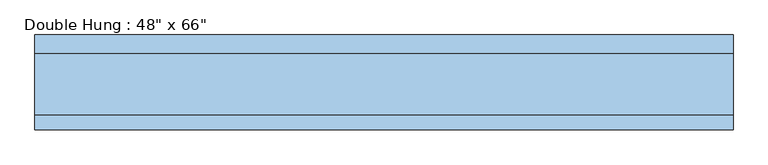
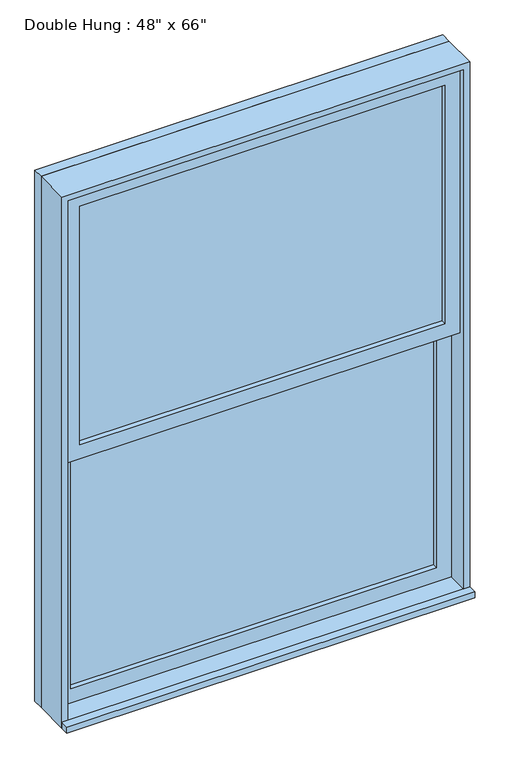
"""IFC4 building model written with IfcOpenShell, lengths in millimetres: window geometry."""

from ifc_helpers import new_model, si_unit, frame, origin, place, context, project, spatial, polyline, outline, extrude, source, transform, mapped, element, save


def window_62395a46(model_context):
    return source(origin(), model_context, "Body", "SweptSolid", [
        extrude(outline(polyline([(-546.1, 9.525), (-546.1, 22.225), (546.1, 22.225), (546.1, 9.525), (-546.1, 9.525)])), frame((0.0, 0.0, 368.3), z_axis=(0.0, 0.0, 1.0), x_axis=(1.0, 0.0, 0.0)), (0.0, 0.0, 1.0), 752.475),
        extrude(outline(polyline([(1165.225, -590.55), (323.85, -590.55), (323.85, 590.55), (1165.225, 590.55), (1165.225, -590.55)]), holes=[polyline([(1120.775, -546.1), (1120.775, 546.1), (368.3, 546.1), (368.3, -546.1), (1120.775, -546.1)])]), frame((0.0, -6.35, 0.0), z_axis=(0.0, 1.0, 0.0), x_axis=(0.0, 0.0, 1.0)), (0.0, 0.0, 1.0), 44.45),
        extrude(outline(polyline([(-609.6, -95.25), (-609.6, -69.85), (609.6, -69.85), (609.6, -95.25), (-609.6, -95.25)])), frame((0.0, 0.0, 304.8), z_axis=(0.0, 0.0, 1.0), x_axis=(1.0, 0.0, 0.0)), (0.0, 0.0, 1.0), 19.05),
        extrude(outline(polyline([(546.1, -22.225), (546.1, -34.925), (-546.1, -34.925), (-546.1, -22.225), (546.1, -22.225)])), frame((0.0, 0.0, 1165.225), z_axis=(0.0, 0.0, 1.0), x_axis=(1.0, 0.0, 0.0)), (0.0, 0.0, 1.0), 752.475),
        extrude(outline(polyline([(1962.15, -590.55), (1120.775, -590.55), (1120.775, 590.55), (1962.15, 590.55), (1962.15, -590.55)]), holes=[polyline([(1917.7, -546.1), (1917.7, 546.1), (1165.225, 546.1), (1165.225, -546.1), (1917.7, -546.1)])]), frame((0.0, -50.8, 0.0), z_axis=(0.0, 1.0, 0.0), x_axis=(0.0, 0.0, 1.0)), (0.0, 0.0, 1.0), 44.45),
        extrude(outline(polyline([(1981.2, -609.6), (304.8, -609.6), (304.8, 609.6), (1981.2, 609.6), (1981.2, -609.6)]), holes=[polyline([(1949.45, -577.85), (1949.45, 577.85), (336.55, 577.85), (336.55, -577.85), (1949.45, -577.85)])]), frame((0.0, 38.1, 0.0), z_axis=(0.0, 1.0, 0.0), x_axis=(0.0, 0.0, 1.0)), (0.0, 0.0, 1.0), 31.75),
        extrude(outline(polyline([(1981.2, 609.6), (1981.2, -609.6), (304.8, -609.6), (304.8, 609.6), (1981.2, 609.6)]), holes=[polyline([(1962.15, 590.55), (323.85, 590.55), (323.85, -590.55), (1962.15, -590.55), (1962.15, 590.55)])]), frame((0.0, -69.85, 0.0), z_axis=(0.0, 1.0, 0.0), x_axis=(0.0, 0.0, 1.0)), (0.0, 0.0, 1.0), 107.95),
    ])


if __name__ == "__main__":
    model = new_model("IFC4")
    model_context = context("Model", 3, world=origin())
    ifc_project = project(units=[si_unit("LENGTHUNIT", "METRE", prefix="MILLI")], contexts=[model_context])
    site = spatial("IfcSite", under=ifc_project)
    building = spatial("IfcBuilding", under=site)
    placement = place(None, origin())
    window_shape = window_62395a46(model_context)
    element("IfcWindow", 1, ObjectType="Double Hung : 48\" x 66\"", at=placement, inside=building, context=model_context, shape_type="MappedRepresentation", body=[
        mapped(window_shape, transform((0.0, 0.0, 0.0), x_axis=(1.0, 0.0, 0.0), y_axis=(0.0, 1.0, 0.0), z_axis=(0.0, 0.0, 1.0))),
    ])
    save(model, "model.ifc")
